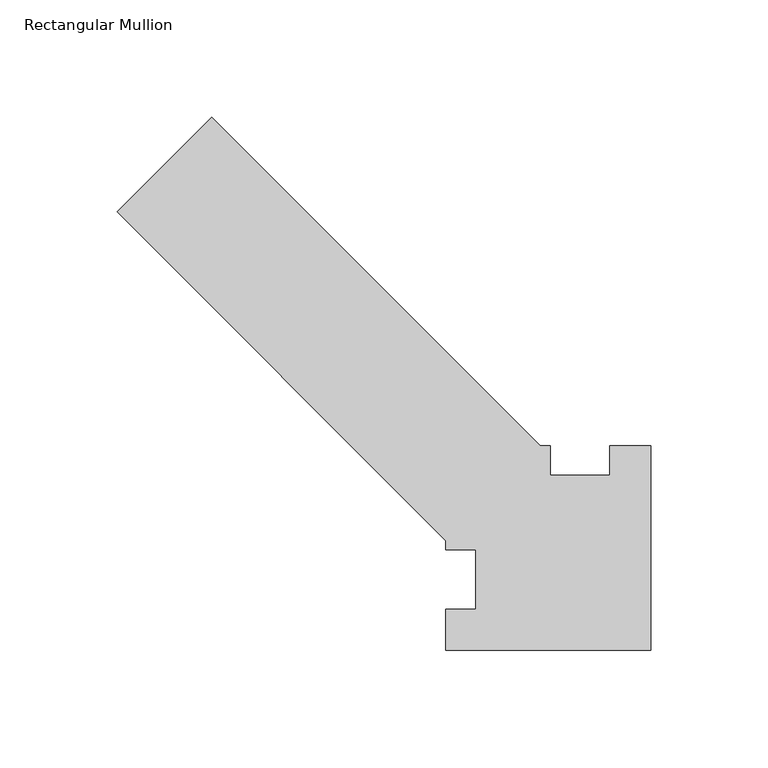
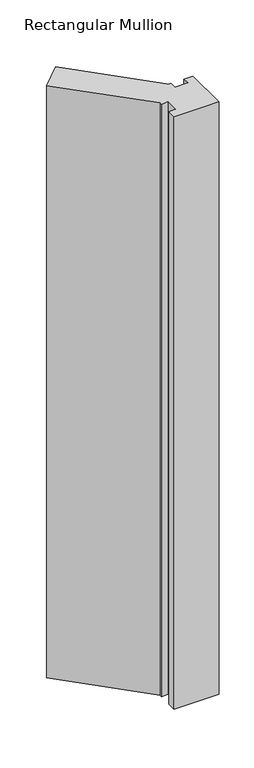
"""IFC4 building model written with IfcOpenShell, lengths in millimetres: member geometry, Rectangular Mullion."""

from ifc_helpers import new_model, si_unit, frame, origin, place, context, project, spatial, polyline, outline, extrude, source, transform, mapped, element, save


def rectangular_mullion_2a8cf65f(model_context):
    return source(origin(), model_context, "Body", "SweptSolid", [
        extrude(outline(polyline([(-17.4625, 58.7375), (0.0, 58.7375), (0.0, -28.575), (-87.3125, -28.575), (-87.3125, -11.1125), (-74.6125, -11.1125), (-74.6125, 14.2875), (-87.3125, 14.2875), (-87.3125, 18.2221177), (-227.4807452, 158.3903629), (-187.0695926, 198.8015154), (-47.0055772, 58.7375), (-42.8625, 58.7375), (-42.8625, 46.0375), (-17.4625, 46.0375), (-17.4625, 58.7375)])), frame((0.0, 0.0, -1219.2), z_axis=(0.0, 0.0, 1.0), x_axis=(1.0, 0.0, 0.0)), (0.0, 0.0, 1.0), 1219.2),
    ])


if __name__ == "__main__":
    model = new_model("IFC4")
    model_context = context("Model", 3, world=origin())
    ifc_project = project(units=[si_unit("LENGTHUNIT", "METRE", prefix="MILLI")], contexts=[model_context])
    site = spatial("IfcSite", under=ifc_project)
    building = spatial("IfcBuilding", under=site)
    placement = place(None, origin())
    rectangular_mullion_shape = rectangular_mullion_2a8cf65f(model_context)
    element("IfcMember", 1, ObjectType="Rectangular Mullion", at=placement, inside=building, context=model_context, shape_type="MappedRepresentation", body=[
        mapped(rectangular_mullion_shape, transform((0.0, 0.0, 0.0), x_axis=(1.0, 0.0, 0.0), y_axis=(0.0, 1.0, 0.0), z_axis=(0.0, 0.0, 1.0))),
    ])
    save(model, "model.ifc")
